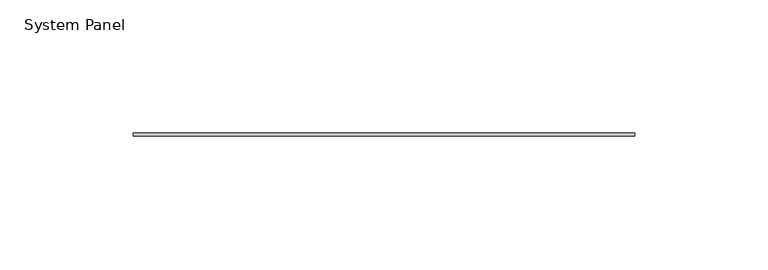
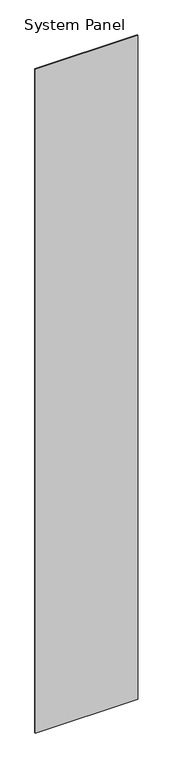
"""IFC4 building model written with IfcOpenShell, lengths in millimetres: plate geometry, System Panel."""

from ifc_helpers import new_model, si_unit, origin, origin_with_axes, place, context, project, spatial, polyline, outline, extrude, source, transform, mapped, element, save


def system_panel_ed8ac151(model_context):
    return source(origin(), model_context, "Body", "SweptSolid", [
        extrude(outline(polyline([(93.9165, -0.4960937), (-93.9165, -0.4960937), (-93.9165, 0.4960938), (93.9165, 0.4960938), (93.9165, -0.4960937)])), origin_with_axes(), (0.0, 0.0, 1.0), 1285.875),
    ])


if __name__ == "__main__":
    model = new_model("IFC4")
    model_context = context("Model", 3, world=origin())
    ifc_project = project(units=[si_unit("LENGTHUNIT", "METRE", prefix="MILLI")], contexts=[model_context])
    site = spatial("IfcSite", under=ifc_project)
    building = spatial("IfcBuilding", under=site)
    placement = place(None, origin())
    system_panel_shape = system_panel_ed8ac151(model_context)
    element("IfcPlate", 1, ObjectType="System Panel", at=placement, inside=building, context=model_context, shape_type="MappedRepresentation", body=[
        mapped(system_panel_shape, transform((0.0, 0.0, 0.0), x_axis=(1.0, 0.0, 0.0), y_axis=(0.0, 1.0, 0.0), z_axis=(0.0, 0.0, 1.0))),
    ])
    save(model, "model.ifc")
